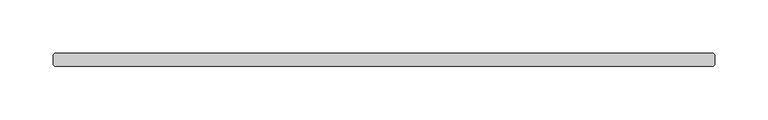
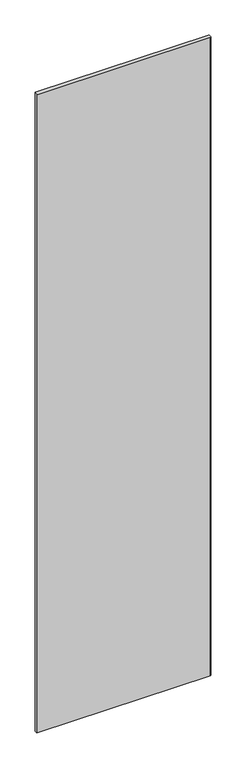
"""IFC4 building model written with IfcOpenShell, lengths in millimetres: plate geometry."""

from ifc_helpers import new_model, si_unit, origin, origin_with_axes, place, context, project, spatial, polyline, outline, extrude, source, transform, mapped, element, save


def plate_1034ea1c(model_context):
    return source(origin(), model_context, "Body", "SweptSolid", [
        extrude(outline(polyline([(310.584375, 36.5125), (312.171875, 34.925), (312.171875, 25.4), (310.584375, 23.8125), (-310.584375, 23.8125), (-312.171875, 25.4), (-312.171875, 34.925), (-310.584375, 36.5125), (310.584375, 36.5125)])), origin_with_axes(), (0.0, 0.0, 1.0), 2417.075),
    ])


if __name__ == "__main__":
    model = new_model("IFC4")
    model_context = context("Model", 3, world=origin())
    ifc_project = project(units=[si_unit("LENGTHUNIT", "METRE", prefix="MILLI")], contexts=[model_context])
    site = spatial("IfcSite", under=ifc_project)
    building = spatial("IfcBuilding", under=site)
    placement = place(None, origin())
    plate_shape = plate_1034ea1c(model_context)
    element("IfcPlate", 1, at=placement, inside=building, context=model_context, shape_type="MappedRepresentation", body=[
        mapped(plate_shape, transform((0.0, 0.0, 0.0), x_axis=(1.0, 0.0, 0.0), y_axis=(0.0, 1.0, 0.0), z_axis=(0.0, 0.0, 1.0))),
    ])
    save(model, "model.ifc")
